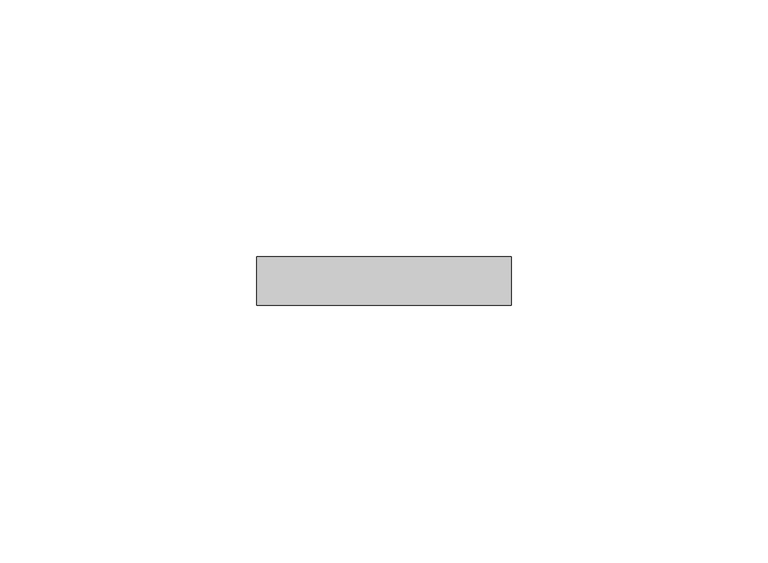
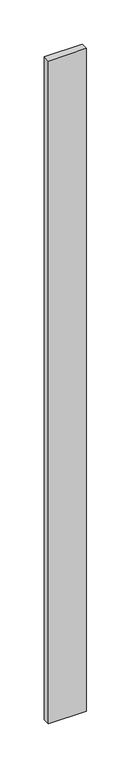
"""IFC4 building model written with IfcOpenShell, lengths in millimetres: proxy geometry."""

import ifcopenshell
import ifcopenshell.guid

model = None  # the IFC model being written
_history = None  # IfcOwnerHistory: only IFC2X3 demands one
_inside = {}  # id of a spatial element -> (the spatial element, [elements in it])
_under = {}  # id of a project, library or spatial element -> (it, [spatial elements below it])
_declared = {}  # id of a project -> (the project, [libraries it declares])
_typed = {}  # id of a type object -> (the type object, [elements of that type])
_made_of = {}  # id of a material, layer set ... -> (it, [elements and type objects made of it])


def new_model(schema):
    """Start an empty IFC model of exactly this schema.

    Asked for "IFC4X3", IfcOpenShell would pick the latest addendum, in which some entities
    have other attributes; the version numbers below select the first issue.
    IFC2X3 requires an IfcOwnerHistory on every rooted entity: one is made here for all.
    """
    global model, _history
    if schema == "IFC4X3":
        model = ifcopenshell.file(schema_version=(4, 3, 0, 0))
    else:
        model = ifcopenshell.file(schema=schema)
    _inside.clear()
    _under.clear()
    _declared.clear()
    _typed.clear()
    _made_of.clear()
    _history = None
    if model.schema == "IFC2X3":
        org = make("IfcOrganization", Name="unknown")
        user = make(
            "IfcPersonAndOrganization",
            ThePerson=make("IfcPerson", FamilyName="unknown"),
            TheOrganization=org,
        )
        app = make(
            "IfcApplication",
            ApplicationDeveloper=org,
            Version="unknown",
            ApplicationFullName="unknown",
            ApplicationIdentifier="unknown",
        )
        _history = make(
            "IfcOwnerHistory",
            OwningUser=user,
            OwningApplication=app,
            ChangeAction="ADDED",
            CreationDate=0,
        )
    return model


def make(cls, **values):
    """One entity of the class cls with the attributes given. An attribute that is None is left unset."""
    return model.create_entity(
        cls, **{name: value for name, value in values.items() if value is not None}
    )


def rooted(cls, **values):
    """An entity with a GlobalId (a new one), such as an element, a storey or a relation."""
    return make(cls, GlobalId=ifcopenshell.guid.new(), OwnerHistory=_history, **values)


def si_unit(unit_type, name, prefix=None):
    """IfcSIUnit, for example si_unit("LENGTHUNIT", "METRE", prefix="MILLI")."""
    return make("IfcSIUnit", UnitType=unit_type, Prefix=prefix, Name=name)


def assignment(units):
    """IfcUnitAssignment: the units of a project."""
    return None if units is None else make("IfcUnitAssignment", Units=units)


def point(xyz):
    """IfcCartesianPoint."""
    return None if xyz is None else make("IfcCartesianPoint", Coordinates=xyz)


def direction(xyz):
    """IfcDirection."""
    return None if xyz is None else make("IfcDirection", DirectionRatios=xyz)


def frame(location, z_axis=None, x_axis=None):
    """IfcAxis2Placement3D, a coordinate frame: its origin and axes. An axis left out is left unset."""
    return make(
        "IfcAxis2Placement3D",
        Location=point(location),
        Axis=direction(z_axis),
        RefDirection=direction(x_axis),
    )


def origin():
    """The frame at (0, 0, 0) with its axes left unset."""
    return frame((0.0, 0.0, 0.0))


def place(relative_to, where):
    """IfcLocalPlacement: puts the frame where relative to a parent placement (None: the world)."""
    return make(
        "IfcLocalPlacement", PlacementRelTo=relative_to, RelativePlacement=where
    )


def context(
    kind, dimensions, precision=None, world=None, true_north=None, identifier=None
):
    """IfcGeometricRepresentationContext, for example the 3D "Model" context."""
    return make(
        "IfcGeometricRepresentationContext",
        ContextIdentifier=identifier,
        ContextType=kind,
        CoordinateSpaceDimension=dimensions,
        Precision=precision,
        WorldCoordinateSystem=world,
        TrueNorth=true_north,
    )


def project(units=None, contexts=None):
    """IfcProject with its units and contexts."""
    return rooted(
        "IfcProject",
        Name="project",
        RepresentationContexts=contexts,
        UnitsInContext=assignment(units),
    )


def spatial(cls, under=None, at=None, **own):
    """A site, building, storey or space (cls), placed at a placement, below another one or the project."""
    s = rooted(cls, ObjectPlacement=at, **own)
    if under is not None:
        _under.setdefault(under.id(), (under, []))[1].append(s)
    return s


def polyline(points):
    """IfcPolyline through the points."""
    return make("IfcPolyline", Points=[point(p) for p in points])


def outline(outer, holes=None, kind="AREA"):
    """IfcArbitraryClosedProfileDef: a profile drawn as a closed curve; with holes, ...WithVoids."""
    if holes is None:
        return make("IfcArbitraryClosedProfileDef", ProfileType=kind, OuterCurve=outer)
    return make(
        "IfcArbitraryProfileDefWithVoids",
        ProfileType=kind,
        OuterCurve=outer,
        InnerCurves=holes,
    )


def extrude(swept, where, along, depth):
    """IfcExtrudedAreaSolid: the profile swept, set in the frame where, extruded along a direction by depth."""
    return make(
        "IfcExtrudedAreaSolid",
        SweptArea=swept,
        Position=where,
        ExtrudedDirection=direction(along),
        Depth=depth,
    )


def shape(context_of_items, identifier, shape_type, items):
    """IfcShapeRepresentation: the items that make up one representation, for example the "Body"."""
    return make(
        "IfcShapeRepresentation",
        ContextOfItems=context_of_items,
        RepresentationIdentifier=identifier,
        RepresentationType=shape_type,
        Items=items,
    )


def source(mapping_origin, context_of_items, identifier, shape_type, items):
    """IfcRepresentationMap: a shape defined once, which mapped items show again and again."""
    return make(
        "IfcRepresentationMap",
        MappingOrigin=mapping_origin,
        MappedRepresentation=shape(context_of_items, identifier, shape_type, items),
    )


def transform(
    local_origin,
    x_axis=None,
    y_axis=None,
    z_axis=None,
    scale=None,
    scale2=None,
    scale3=None,
    uniform=True,
):
    """IfcCartesianTransformationOperator3D, or its non-uniform kind. x_axis, y_axis, z_axis: its Axis1, 2, 3."""
    if uniform:
        return make(
            "IfcCartesianTransformationOperator3D",
            Axis1=direction(x_axis),
            Axis2=direction(y_axis),
            LocalOrigin=point(local_origin),
            Scale=scale,
            Axis3=direction(z_axis),
        )
    return make(
        "IfcCartesianTransformationOperator3DnonUniform",
        Axis1=direction(x_axis),
        Axis2=direction(y_axis),
        LocalOrigin=point(local_origin),
        Scale=scale,
        Axis3=direction(z_axis),
        Scale2=scale2,
        Scale3=scale3,
    )


def mapped(mapping_source, mapping_target):
    """IfcMappedItem: shows the shape of a source again, moved by a transform."""
    return make(
        "IfcMappedItem", MappingSource=mapping_source, MappingTarget=mapping_target
    )


def made_of(thing, what):
    """Note that an element or type object is made of a material, layer set ...; save() writes the relation."""
    if what is not None:
        _made_of.setdefault(what.id(), (what, []))[1].append(thing)
    return thing


def element(
    cls,
    number,
    at=None,
    inside=None,
    cuts=None,
    type_object=None,
    material=None,
    context=None,
    identifier="Body",
    shape_type=None,
    held_by="IfcProductDefinitionShape",
    body=None,
    shapes=None,
    **own,
):
    """One element of the class cls, such as IfcWall. Its Tag is "e" and its number.

    at: its placement. inside: the storey or other place that contains it. cuts: it is an
    opening in that element (IfcRelVoidsElement). A single representation is given by context,
    identifier, shape_type and body (its items); several are given by shapes. held_by: the class
    of the entity that holds the representations. save() writes the other relations.
    """
    e = rooted(cls, Tag="e%d" % number, ObjectPlacement=at, **own)
    if body is not None:
        shapes = [shape(context, identifier, shape_type, body)]
    if shapes is not None:
        e.Representation = make(held_by, Representations=shapes)
    if inside is not None:
        _inside.setdefault(inside.id(), (inside, []))[1].append(e)
    if cuts is not None:
        rooted(
            "IfcRelVoidsElement", RelatingBuildingElement=cuts, RelatedOpeningElement=e
        )
    if type_object is not None:
        _typed.setdefault(type_object.id(), (type_object, []))[1].append(e)
    return made_of(e, material)


def aggregate(whole, parts):
    """IfcRelAggregates: a whole, such as a stair, and the parts it consists of."""
    return rooted("IfcRelAggregates", RelatingObject=whole, RelatedObjects=parts)


def save(model, path):
    """Write the relations noted so far, then the file.

    IfcRelAggregates (storeys below a building ...), IfcRelContainedInSpatialStructure (elements
    in a storey), IfcRelDefinesByType, IfcRelAssociatesMaterial and IfcRelDeclares: one each for
    every whole, place, type object, material and project.
    """
    for whole, parts in _under.values():
        aggregate(whole, parts)
    for where, things in _inside.values():
        rooted(
            "IfcRelContainedInSpatialStructure",
            RelatedElements=things,
            RelatingStructure=where,
        )
    for kind, things in _typed.values():
        rooted("IfcRelDefinesByType", RelatedObjects=things, RelatingType=kind)
    for what, things in _made_of.values():
        rooted("IfcRelAssociatesMaterial", RelatedObjects=things, RelatingMaterial=what)
    for by, libraries in _declared.values():
        rooted("IfcRelDeclares", RelatingContext=by, RelatedDefinitions=libraries)
    model.write(path)


def generic_models_85f2cb99(model_context):
    return source(origin(), model_context, "Body", "SweptSolid", [
        extrude(outline(polyline([(37100.0203269, -23938.3529893), (37100.0203269, -23928.8554213), (37149.6270964, -23928.8554213), (37149.6270964, -23938.3529893), (37100.0203269, -23938.3529893)])), frame((0.0, 0.0, 1524.0), z_axis=(0.0, 0.0, 1.0), x_axis=(1.0, 0.0, 0.0)), (0.0, 0.0, 1.0), 914.4),
    ])


if __name__ == "__main__":
    model = new_model("IFC4")
    model_context = context("Model", 3, world=origin())
    ifc_project = project(units=[si_unit("LENGTHUNIT", "METRE", prefix="MILLI")], contexts=[model_context])
    site = spatial("IfcSite", under=ifc_project)
    building = spatial("IfcBuilding", under=site)
    placement = place(None, origin())
    generic_models_shape = generic_models_85f2cb99(model_context)
    element("IfcBuildingElementProxy", 1, Name="Generic Models", at=placement, inside=building, context=model_context, shape_type="MappedRepresentation", body=[
        mapped(generic_models_shape, transform((0.0, 0.0, 0.0), x_axis=(1.0, 0.0, 0.0), y_axis=(0.0, 1.0, 0.0), z_axis=(0.0, 0.0, 1.0))),
    ])
    save(model, "model.ifc")
